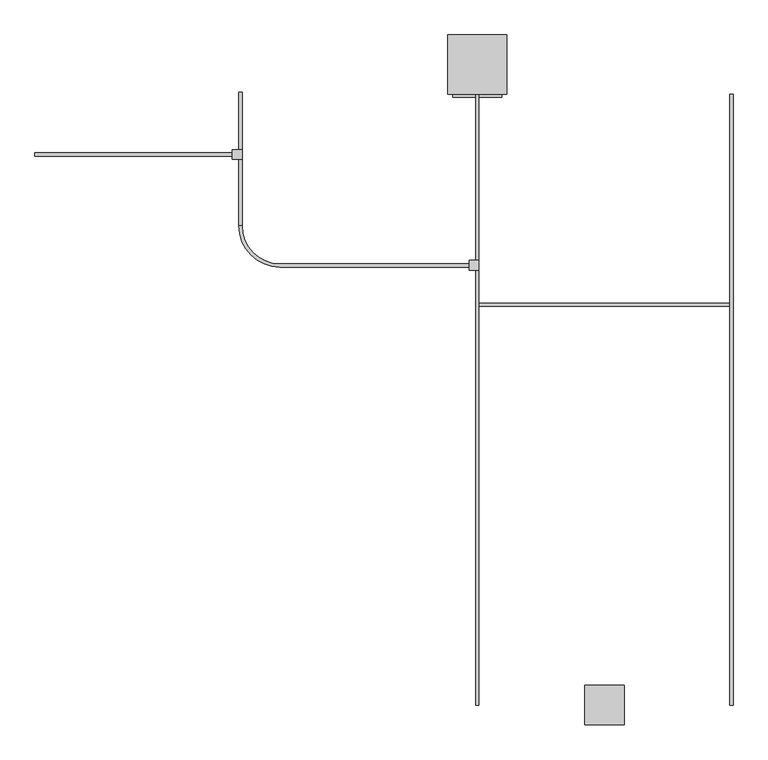
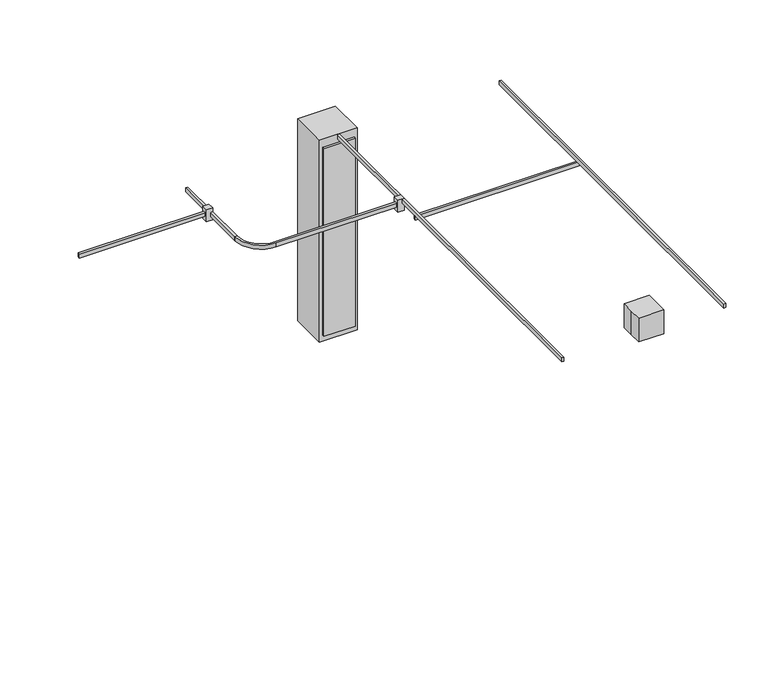
"""IFC4 building model written with IfcOpenShell, lengths in millimetres: proxy geometry."""

from ifc_helpers import new_model, si_unit, point, frame, frame_2d, origin, origin_with_axes, place, context, project, spatial, polyline, circle_curve, trimmed, segment, composite_curve, outline, extrude, source, transform, mapped, element, save


def specialty_equipment_0786d4b6(model_context):
    return source(origin(), model_context, "Body", "SweptSolid", [
        extrude(outline(polyline([(-1172.2812876, 4695.2646961), (-1172.2812876, 4720.6646961), (-791.2812876, 4720.6646961), (-791.2812876, 4695.2646961), (-1172.2812876, 4695.2646961)])), frame((0.0, 0.0, -2511.7688632), z_axis=(0.0, 0.0, 1.0), x_axis=(1.0, 0.0, 0.0)), (0.0, 0.0, 1.0), 2410.1688632),
        extrude(outline(polyline([(-753.1812876, 5177.8646961), (-753.1812876, 4720.6646961), (-1210.3812876, 4720.6646961), (-1210.3812876, 5177.8646961), (-753.1812876, 5177.8646961)])), frame((0.0, 0.0, -2590.8), z_axis=(0.0, 0.0, 1.0), x_axis=(1.0, 0.0, 0.0)), (0.0, 0.0, 1.0), 2590.8),
        extrude(outline(composite_curve([segment(polyline([(-1045.2812876, 3384.7983154), (-2506.479302, 3384.7983154)]), True, "CONTINUOUS"), segment(trimmed(circle_curve(frame_2d((-2506.479302, 3702.2983154)), 317.5), [point((-2506.479302, 3384.7983154))], [point((-2823.979302, 3702.2983154))], False, "CARTESIAN"), True, "CONTINUOUS"), segment(polyline([(-2823.979302, 3702.2983154), (-2798.579302, 3702.2983154)]), True, "CONTINUOUS"), segment(trimmed(circle_curve(frame_2d((-2506.479302, 3702.2983154)), 292.1), [point((-2798.579302, 3702.2983154))], [point((-2506.479302, 3410.1983154))], True, "CARTESIAN"), True, "CONTINUOUS"), segment(polyline([(-2506.479302, 3410.1983154), (-1045.2812876, 3410.1983154), (-1045.2812876, 3384.7983154)]), True, "CONTINUOUS")], self_intersect=False)), frame((0.0, 0.0, -101.6), z_axis=(0.0, 0.0, 1.0), x_axis=(1.0, 0.0, 0.0)), (0.0, 0.0, 1.0), 50.8),
        extrude(outline(polyline([(-2874.779302, 4241.5073899), (-4398.779302, 4241.5073899), (-4398.779302, 4266.9073899), (-2874.779302, 4266.9073899), (-2874.779302, 4241.5073899)])), frame((0.0, 0.0, -101.6), z_axis=(0.0, 0.0, 1.0), x_axis=(1.0, 0.0, 0.0)), (0.0, 0.0, 1.0), 50.8),
        extrude(outline(polyline([(-2874.779302, 4292.3073899), (-2798.579302, 4292.3073899), (-2798.579302, 4216.1073899), (-2874.779302, 4216.1073899), (-2874.779302, 4292.3073899)])), frame((0.0, 0.0, -152.4), z_axis=(0.0, 0.0, 1.0), x_axis=(1.0, 0.0, 0.0)), (0.0, 0.0, 1.0), 152.4),
        extrude(outline(polyline([(-2823.979302, 3702.2983154), (-2823.979302, 4736.8073899), (-2798.579302, 4736.8073899), (-2798.579302, 3702.2983154), (-2823.979302, 3702.2983154)])), frame((0.0, 0.0, -101.6), z_axis=(0.0, 0.0, 1.0), x_axis=(1.0, 0.0, 0.0)), (0.0, 0.0, 1.0), 50.8),
        extrude(outline(polyline([(-1045.2812876, 3359.3983154), (-1045.2812876, 3435.5983154), (-969.0812876, 3435.5983154), (-969.0812876, 3359.3983154), (-1045.2812876, 3359.3983154)])), frame((0.0, 0.0, -152.4), z_axis=(0.0, 0.0, 1.0), x_axis=(1.0, 0.0, 0.0)), (0.0, 0.0, 1.0), 152.4),
        extrude(outline(polyline([(-969.0812876, 4720.6646961), (-969.0812876, 0.0), (-994.4812876, 0.0), (-994.4812876, 4720.6646961), (-969.0812876, 4720.6646961)])), frame((0.0, 0.0, -50.8), z_axis=(0.0, 0.0, 1.0), x_axis=(1.0, 0.0, 0.0)), (0.0, 0.0, 1.0), 50.8),
        extrude(outline(polyline([(994.4812876, 3079.9983154), (-994.4812876, 3079.9983154), (-994.4812876, 3105.3983154), (994.4812876, 3105.3983154), (994.4812876, 3079.9983154)])), frame((0.0, 0.0, -101.6), z_axis=(0.0, 0.0, 1.0), x_axis=(1.0, 0.0, 0.0)), (0.0, 0.0, 1.0), 50.8),
        extrude(outline(polyline([(994.4812876, 4720.6646961), (994.4812876, 0.0), (969.0812876, 0.0), (969.0812876, 4720.6646961), (994.4812876, 4720.6646961)])), frame((0.0, 0.0, -50.8), z_axis=(0.0, 0.0, 1.0), x_axis=(1.0, 0.0, 0.0)), (0.0, 0.0, 1.0), 50.8),
        extrude(outline(polyline([(-152.4, -152.4), (-152.4, 0.0), (-152.4, 152.4), (152.4, 152.4), (152.4, -152.4), (-152.4, -152.4)])), origin_with_axes(), (0.0, 0.0, 1.0), 304.8),
    ])


if __name__ == "__main__":
    model = new_model("IFC4")
    model_context = context("Model", 3, world=origin())
    ifc_project = project(units=[si_unit("LENGTHUNIT", "METRE", prefix="MILLI")], contexts=[model_context])
    site = spatial("IfcSite", under=ifc_project)
    building = spatial("IfcBuilding", under=site)
    placement = place(None, origin())
    specialty_equipment_shape = specialty_equipment_0786d4b6(model_context)
    element("IfcBuildingElementProxy", 1, Name="Specialty Equipment", at=placement, inside=building, context=model_context, shape_type="MappedRepresentation", body=[
        mapped(specialty_equipment_shape, transform((0.0, 0.0, 0.0), x_axis=(1.0, 0.0, 0.0), y_axis=(0.0, 1.0, 0.0), z_axis=(0.0, 0.0, 1.0))),
    ])
    save(model, "model.ifc")
